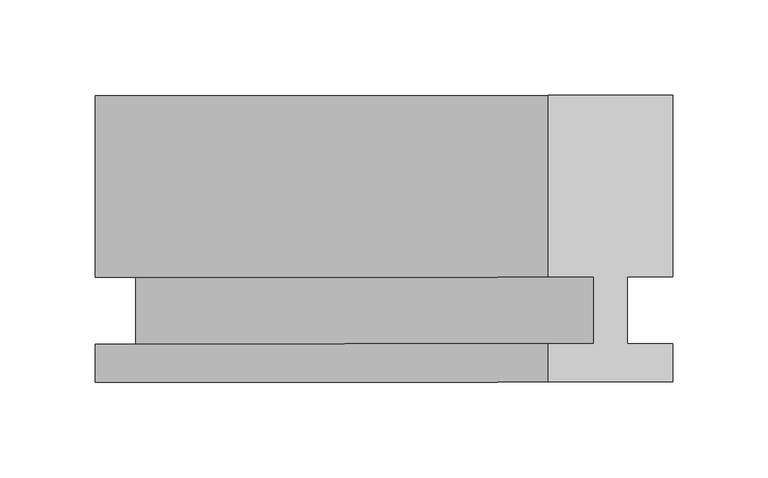
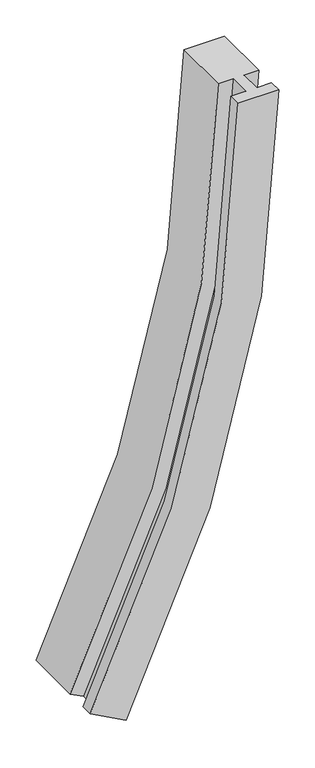
"""IFC4 building model written with IfcOpenShell, lengths in millimetres: member geometry."""

from ifc_helpers import new_model, si_unit, frame, origin, place, context, project, spatial, polyline, circle_curve, source, transform, mapped, element, save
from ifc_brep_helpers import plane_surface, cylinder_surface, revolved_surface, advanced_brep


def member_4ce04c25(model_context):
    return source(origin(), model_context, "Body", "AdvancedBrep", [
        advanced_brep(
        [(-244.7781554, -37.0, -979.8967775), (0.0, -37.0, 0.0), (-65.0, -37.0, 0.0), (-302.1426121, -37.0, -949.3301437), (-244.7781554, -17.0, -979.8967775), (0.0, -17.0, 0.0), (-265.7934035, -17.0, -968.6988088), (-23.8125, -17.0, 0.0), (-265.7934035, 18.0, -968.6988088), (-23.8125, 18.0, 0.0), (-244.7781554, 18.0, -979.8967775), (0.0, 18.0, 0.0), (-244.7781554, 113.0, -979.8967775), (0.0, 113.0, 0.0), (-302.1426121, 113.0, -949.3301437), (-65.0, 113.0, 0.0), (-302.1426121, 18.0, -949.3301437), (-65.0, 18.0, 0.0), (-281.127364, 18.0, -960.5281124), (-41.1875, 18.0, 0.0), (-281.127364, -17.0, -960.5281124), (-41.1875, -17.0, 0.0), (-302.1426121, -17.0, -949.3301437), (-65.0, -17.0, 0.0)],
        [
            (0, 1, circle_curve(frame((-2083.7522008, -37.0, 0.0), z_axis=(0.0, -1.0, 0.0), x_axis=(1.0, 0.0, 0.0)), 2083.7522008)),
            (1, 2),
            (2, 3, circle_curve(frame((-2083.7522008, -37.0, 0.0), z_axis=(0.0, 1.0, 0.0), x_axis=(1.0, 0.0, 0.0)), 2018.7522008)),
            (3, 0),
            (4, 5, circle_curve(frame((-2083.7522008, -17.0, 0.0), z_axis=(0.0, -1.0, 0.0), x_axis=(1.0, 0.0, 0.0)), 2083.7522008)),
            (5, 1),
            (0, 4),
            (6, 7, circle_curve(frame((-2083.7522008, -17.0, 0.0), z_axis=(0.0, -1.0, 0.0), x_axis=(1.0, 0.0, 0.0)), 2059.9397008)),
            (7, 5),
            (4, 6),
            (8, 9, circle_curve(frame((-2083.7522008, 18.0, 0.0), z_axis=(0.0, -1.0, 0.0), x_axis=(1.0, 0.0, 0.0)), 2059.9397008)),
            (9, 7),
            (6, 8),
            (10, 11, circle_curve(frame((-2083.7522008, 18.0, 0.0), z_axis=(0.0, -1.0, 0.0), x_axis=(1.0, 0.0, 0.0)), 2083.7522008)),
            (11, 9),
            (8, 10),
            (12, 13, circle_curve(frame((-2083.7522008, 113.0, 0.0), z_axis=(0.0, -1.0, 0.0), x_axis=(1.0, 0.0, 0.0)), 2083.7522008)),
            (13, 11),
            (10, 12),
            (14, 15, circle_curve(frame((-2083.7522008, 113.0, 0.0), z_axis=(0.0, -1.0, 0.0), x_axis=(1.0, 0.0, 0.0)), 2018.7522008)),
            (15, 13),
            (12, 14),
            (16, 17, circle_curve(frame((-2083.7522008, 18.0, 0.0), z_axis=(0.0, -1.0, 0.0), x_axis=(1.0, 0.0, 0.0)), 2018.7522008)),
            (17, 15),
            (14, 16),
            (18, 19, circle_curve(frame((-2083.7522008, 18.0, 0.0), z_axis=(0.0, -1.0, 0.0), x_axis=(1.0, 0.0, 0.0)), 2042.5647008)),
            (19, 17),
            (16, 18),
            (20, 21, circle_curve(frame((-2083.7522008, -17.0, 0.0), z_axis=(0.0, -1.0, 0.0), x_axis=(1.0, 0.0, 0.0)), 2042.5647008)),
            (21, 19),
            (18, 20),
            (22, 23, circle_curve(frame((-2083.7522008, -17.0, 0.0), z_axis=(0.0, -1.0, 0.0), x_axis=(1.0, 0.0, 0.0)), 2018.7522008)),
            (23, 21),
            (20, 22),
            (2, 23),
            (22, 3),
        ],
        [
            plane_surface(frame((-2083.7522008, -37.0, 0.0), z_axis=(0.0, -1.0, 0.0), x_axis=(1.0, 0.0, 0.0))),
            cylinder_surface(frame((-2083.7522008, 0.0, 0.0), z_axis=(0.0, 1.0, 0.0), x_axis=(1.0, 0.0, 0.0)), 2083.7522008),
            plane_surface(frame((-2083.7522008, -17.0, 0.0), z_axis=(0.0, 1.0, 0.0), x_axis=(1.0, 0.0, 0.0))),
            cylinder_surface(frame((-2083.7522008, 0.0, 0.0), z_axis=(0.0, 1.0, 0.0), x_axis=(1.0, 0.0, 0.0)), 2059.9397008),
            plane_surface(frame((-2083.7522008, 18.0, 0.0), z_axis=(0.0, -1.0, 0.0), x_axis=(1.0, 0.0, 0.0))),
            plane_surface(frame((-2083.7522008, 113.0, 0.0), z_axis=(0.0, 1.0, 0.0), x_axis=(1.0, 0.0, 0.0))),
            revolved_surface(polyline([(-65.0, 113.0, 0.0), (-65.0, 18.0, 0.0)]), (-2083.7522008, 0.0, 0.0), (0.0, 1.0, 0.0)),
            revolved_surface(polyline([(-41.1875, 18.0, 0.0), (-41.1875, -17.0, 0.0)]), (-2083.7522008, 0.0, 0.0), (0.0, 1.0, 0.0)),
            revolved_surface(polyline([(-65.0, -17.0, 0.0), (-65.0, -37.0, 0.0)]), (-2083.7522008, 0.0, 0.0), (0.0, 1.0, 0.0)),
            plane_surface(frame((-304.8, 0.0, 0.0), z_axis=(0.0, 0.0, 1.0), x_axis=(0.0, 1.0, 0.0))),
            plane_surface(frame((24.2170202, 0.0, -1123.2307775), z_axis=(-0.4702559052613591, 0.0, -0.8825301034904247), x_axis=(0.0, -1.0, 0.0))),
        ],
        [
            (0, [[1, 2, 3, 4]]),
            (1, [[5, 6, -1, 7]]),
            (2, [[8, 9, -5, 10]]),
            (3, [[11, 12, -8, 13]]),
            (4, [[14, 15, -11, 16]]),
            (1, [[17, 18, -14, 19]]),
            (5, [[20, 21, -17, 22]]),
            (6, [[23, 24, -20, 25]]),
            (4, [[26, 27, -23, 28]]),
            (7, [[29, 30, -26, 31]]),
            (2, [[32, 33, -29, 34]]),
            (8, [[-3, 35, -32, 36]]),
            (9, [[-2, -6, -9, -12, -15, -18, -21, -24, -27, -30, -33, -35]]),
            (10, [[-36, -34, -31, -28, -25, -22, -19, -16, -13, -10, -7, -4]]),
        ],
    ),
    ])


if __name__ == "__main__":
    model = new_model("IFC4")
    model_context = context("Model", 3, world=origin())
    ifc_project = project(units=[si_unit("LENGTHUNIT", "METRE", prefix="MILLI")], contexts=[model_context])
    site = spatial("IfcSite", under=ifc_project)
    building = spatial("IfcBuilding", under=site)
    placement = place(None, origin())
    member_shape = member_4ce04c25(model_context)
    element("IfcMember", 1, at=placement, inside=building, context=model_context, shape_type="MappedRepresentation", body=[
        mapped(member_shape, transform((0.0, 0.0, 0.0), x_axis=(1.0, 0.0, 0.0), y_axis=(0.0, 1.0, 0.0), z_axis=(0.0, 0.0, 1.0))),
    ])
    save(model, "model.ifc")
